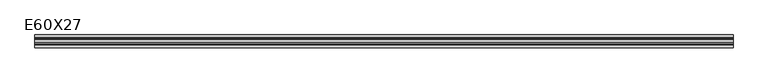
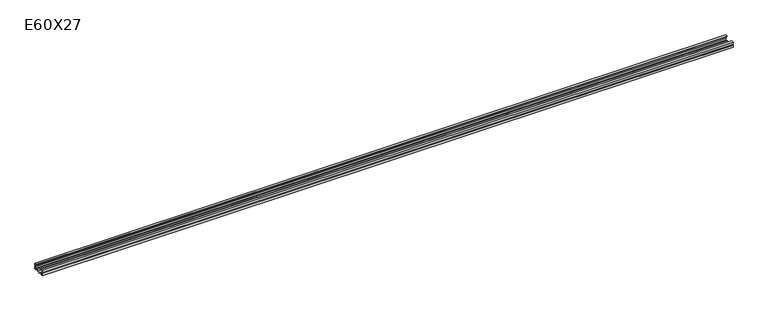
"""IFC4 building model written with IfcOpenShell, lengths in millimetres: beam geometry, E60X27."""

from ifc_helpers import new_model, si_unit, frame, origin, place, context, project, spatial, polyline, outline, extrude, source, transform, mapped, element, save


def e60x27_3a4bbc35(model_context):
    return source(origin(), model_context, "Body", "SweptSolid", [
        extrude(outline(polyline([(20.0, 27.0), (30.0, 27.0), (30.0, 15.5), (27.0, 13.5), (30.0, 11.5), (30.0, 0.0), (22.066768, 0.0), (18.316768, 4.0), (11.683232, 4.0), (7.933232, 0.0), (-7.933232, 0.0), (-11.683232, 4.0), (-18.316768, 4.0), (-22.066768, 0.0), (-30.0, 0.0), (-30.0, 11.5), (-27.0, 13.5), (-30.0, 15.5), (-30.0, 27.0), (-20.0, 27.0), (-20.0, 26.0), (-29.0, 26.0), (-29.0, 16.0351838), (-25.1972244, 13.5), (-29.0, 10.9648162), (-29.0, 1.0), (-22.5, 1.0), (-18.75, 5.0), (-11.25, 5.0), (-7.5, 1.0), (7.5, 1.0), (11.25, 5.0), (18.75, 5.0), (22.5, 1.0), (29.0, 1.0), (29.0, 10.9648162), (25.1972244, 13.5), (29.0, 16.0351838), (29.0, 26.0), (20.0, 26.0), (20.0, 27.0)])), frame((-1650.0, 0.0, 0.0), z_axis=(1.0, 0.0, 0.0), x_axis=(0.0, 1.0, 0.0)), (0.0, 0.0, 1.0), 3300.0),
    ])


if __name__ == "__main__":
    model = new_model("IFC4")
    model_context = context("Model", 3, world=origin())
    ifc_project = project(units=[si_unit("LENGTHUNIT", "METRE", prefix="MILLI")], contexts=[model_context])
    site = spatial("IfcSite", under=ifc_project)
    building = spatial("IfcBuilding", under=site)
    placement = place(None, origin())
    e60x27_shape = e60x27_3a4bbc35(model_context)
    element("IfcBeam", 1, ObjectType="E60X27", at=placement, inside=building, context=model_context, shape_type="MappedRepresentation", body=[
        mapped(e60x27_shape, transform((0.0, 0.0, 0.0), x_axis=(1.0, 0.0, 0.0), y_axis=(0.0, 1.0, 0.0), z_axis=(0.0, 0.0, 1.0))),
    ])
    save(model, "model.ifc")
